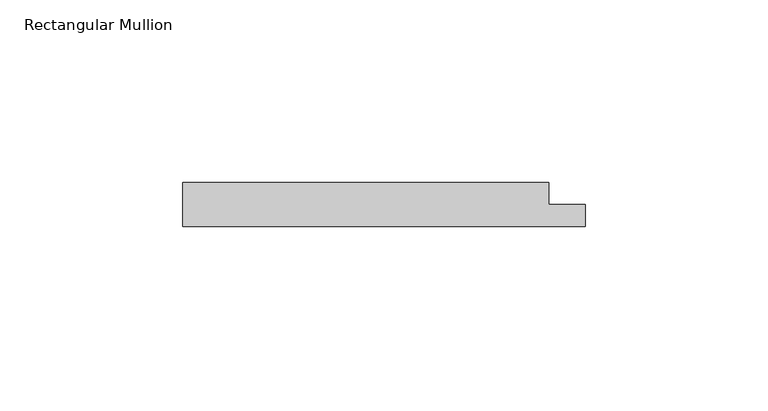
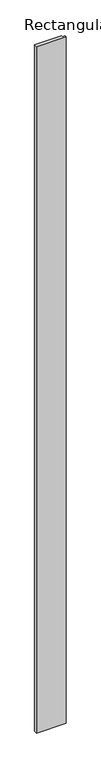
"""IFC4 building model written with IfcOpenShell, lengths in millimetres: member geometry, Rectangular Mullion."""

from ifc_helpers import new_model, si_unit, frame, origin, place, context, project, spatial, polyline, outline, extrude, source, transform, mapped, element, save


def rectangular_mullion_9ba77e23(model_context):
    return source(origin(), model_context, "Body", "SweptSolid", [
        extrude(outline(polyline([(55.0, 0.0), (-55.0, 0.0), (-55.0, 12.0), (45.0, 12.0), (45.0, 6.0), (55.0, 6.0), (55.0, 0.0)])), frame((0.0, 0.0, -2700.0), z_axis=(0.0, 0.0, 1.0), x_axis=(1.0, 0.0, 0.0)), (0.0, 0.0, 1.0), 2700.0),
    ])


if __name__ == "__main__":
    model = new_model("IFC4")
    model_context = context("Model", 3, world=origin())
    ifc_project = project(units=[si_unit("LENGTHUNIT", "METRE", prefix="MILLI")], contexts=[model_context])
    site = spatial("IfcSite", under=ifc_project)
    building = spatial("IfcBuilding", under=site)
    placement = place(None, origin())
    rectangular_mullion_shape = rectangular_mullion_9ba77e23(model_context)
    element("IfcMember", 1, ObjectType="Rectangular Mullion", at=placement, inside=building, context=model_context, shape_type="MappedRepresentation", body=[
        mapped(rectangular_mullion_shape, transform((0.0, 0.0, 0.0), x_axis=(1.0, 0.0, 0.0), y_axis=(0.0, 1.0, 0.0), z_axis=(0.0, 0.0, 1.0))),
    ])
    save(model, "model.ifc")
